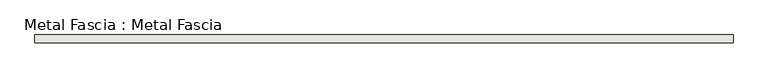
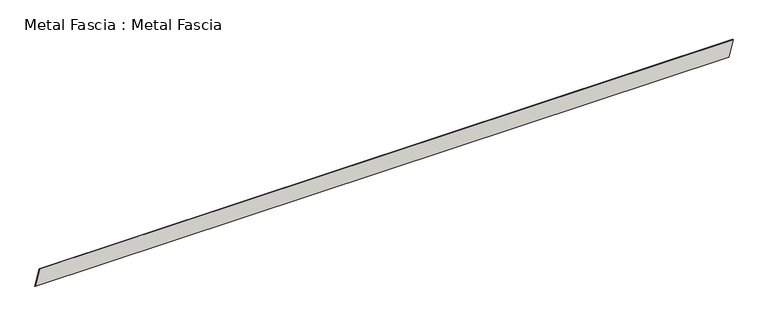
"""IFC4 building model written with IfcOpenShell, lengths in millimetres: wall geometry, Metal Fascia : Metal Fascia."""

import ifcopenshell
import ifcopenshell.guid

model = None  # the IFC model being written
_history = None  # IfcOwnerHistory: only IFC2X3 demands one
_inside = {}  # id of a spatial element -> (the spatial element, [elements in it])
_under = {}  # id of a project, library or spatial element -> (it, [spatial elements below it])
_declared = {}  # id of a project -> (the project, [libraries it declares])
_typed = {}  # id of a type object -> (the type object, [elements of that type])
_made_of = {}  # id of a material, layer set ... -> (it, [elements and type objects made of it])


def new_model(schema):
    """Start an empty IFC model of exactly this schema.

    Asked for "IFC4X3", IfcOpenShell would pick the latest addendum, in which some entities
    have other attributes; the version numbers below select the first issue.
    IFC2X3 requires an IfcOwnerHistory on every rooted entity: one is made here for all.
    """
    global model, _history
    if schema == "IFC4X3":
        model = ifcopenshell.file(schema_version=(4, 3, 0, 0))
    else:
        model = ifcopenshell.file(schema=schema)
    _inside.clear()
    _under.clear()
    _declared.clear()
    _typed.clear()
    _made_of.clear()
    _history = None
    if model.schema == "IFC2X3":
        org = make("IfcOrganization", Name="unknown")
        user = make(
            "IfcPersonAndOrganization",
            ThePerson=make("IfcPerson", FamilyName="unknown"),
            TheOrganization=org,
        )
        app = make(
            "IfcApplication",
            ApplicationDeveloper=org,
            Version="unknown",
            ApplicationFullName="unknown",
            ApplicationIdentifier="unknown",
        )
        _history = make(
            "IfcOwnerHistory",
            OwningUser=user,
            OwningApplication=app,
            ChangeAction="ADDED",
            CreationDate=0,
        )
    return model


def make(cls, **values):
    """One entity of the class cls with the attributes given. An attribute that is None is left unset."""
    return model.create_entity(
        cls, **{name: value for name, value in values.items() if value is not None}
    )


def rooted(cls, **values):
    """An entity with a GlobalId (a new one), such as an element, a storey or a relation."""
    return make(cls, GlobalId=ifcopenshell.guid.new(), OwnerHistory=_history, **values)


def si_unit(unit_type, name, prefix=None):
    """IfcSIUnit, for example si_unit("LENGTHUNIT", "METRE", prefix="MILLI")."""
    return make("IfcSIUnit", UnitType=unit_type, Prefix=prefix, Name=name)


def assignment(units):
    """IfcUnitAssignment: the units of a project."""
    return None if units is None else make("IfcUnitAssignment", Units=units)


def point(xyz):
    """IfcCartesianPoint."""
    return None if xyz is None else make("IfcCartesianPoint", Coordinates=xyz)


def direction(xyz):
    """IfcDirection."""
    return None if xyz is None else make("IfcDirection", DirectionRatios=xyz)


def frame(location, z_axis=None, x_axis=None):
    """IfcAxis2Placement3D, a coordinate frame: its origin and axes. An axis left out is left unset."""
    return make(
        "IfcAxis2Placement3D",
        Location=point(location),
        Axis=direction(z_axis),
        RefDirection=direction(x_axis),
    )


def origin():
    """The frame at (0, 0, 0) with its axes left unset."""
    return frame((0.0, 0.0, 0.0))


def place(relative_to, where):
    """IfcLocalPlacement: puts the frame where relative to a parent placement (None: the world)."""
    return make(
        "IfcLocalPlacement", PlacementRelTo=relative_to, RelativePlacement=where
    )


def context(
    kind, dimensions, precision=None, world=None, true_north=None, identifier=None
):
    """IfcGeometricRepresentationContext, for example the 3D "Model" context."""
    return make(
        "IfcGeometricRepresentationContext",
        ContextIdentifier=identifier,
        ContextType=kind,
        CoordinateSpaceDimension=dimensions,
        Precision=precision,
        WorldCoordinateSystem=world,
        TrueNorth=true_north,
    )


def project(units=None, contexts=None):
    """IfcProject with its units and contexts."""
    return rooted(
        "IfcProject",
        Name="project",
        RepresentationContexts=contexts,
        UnitsInContext=assignment(units),
    )


def spatial(cls, under=None, at=None, **own):
    """A site, building, storey or space (cls), placed at a placement, below another one or the project."""
    s = rooted(cls, ObjectPlacement=at, **own)
    if under is not None:
        _under.setdefault(under.id(), (under, []))[1].append(s)
    return s


def polyline(points):
    """IfcPolyline through the points."""
    return make("IfcPolyline", Points=[point(p) for p in points])


def outline(outer, holes=None, kind="AREA"):
    """IfcArbitraryClosedProfileDef: a profile drawn as a closed curve; with holes, ...WithVoids."""
    if holes is None:
        return make("IfcArbitraryClosedProfileDef", ProfileType=kind, OuterCurve=outer)
    return make(
        "IfcArbitraryProfileDefWithVoids",
        ProfileType=kind,
        OuterCurve=outer,
        InnerCurves=holes,
    )


def extrude(swept, where, along, depth):
    """IfcExtrudedAreaSolid: the profile swept, set in the frame where, extruded along a direction by depth."""
    return make(
        "IfcExtrudedAreaSolid",
        SweptArea=swept,
        Position=where,
        ExtrudedDirection=direction(along),
        Depth=depth,
    )


def shape(context_of_items, identifier, shape_type, items):
    """IfcShapeRepresentation: the items that make up one representation, for example the "Body"."""
    return make(
        "IfcShapeRepresentation",
        ContextOfItems=context_of_items,
        RepresentationIdentifier=identifier,
        RepresentationType=shape_type,
        Items=items,
    )


def source(mapping_origin, context_of_items, identifier, shape_type, items):
    """IfcRepresentationMap: a shape defined once, which mapped items show again and again."""
    return make(
        "IfcRepresentationMap",
        MappingOrigin=mapping_origin,
        MappedRepresentation=shape(context_of_items, identifier, shape_type, items),
    )


def transform(
    local_origin,
    x_axis=None,
    y_axis=None,
    z_axis=None,
    scale=None,
    scale2=None,
    scale3=None,
    uniform=True,
):
    """IfcCartesianTransformationOperator3D, or its non-uniform kind. x_axis, y_axis, z_axis: its Axis1, 2, 3."""
    if uniform:
        return make(
            "IfcCartesianTransformationOperator3D",
            Axis1=direction(x_axis),
            Axis2=direction(y_axis),
            LocalOrigin=point(local_origin),
            Scale=scale,
            Axis3=direction(z_axis),
        )
    return make(
        "IfcCartesianTransformationOperator3DnonUniform",
        Axis1=direction(x_axis),
        Axis2=direction(y_axis),
        LocalOrigin=point(local_origin),
        Scale=scale,
        Axis3=direction(z_axis),
        Scale2=scale2,
        Scale3=scale3,
    )


def mapped(mapping_source, mapping_target):
    """IfcMappedItem: shows the shape of a source again, moved by a transform."""
    return make(
        "IfcMappedItem", MappingSource=mapping_source, MappingTarget=mapping_target
    )


def made_of(thing, what):
    """Note that an element or type object is made of a material, layer set ...; save() writes the relation."""
    if what is not None:
        _made_of.setdefault(what.id(), (what, []))[1].append(thing)
    return thing


def element(
    cls,
    number,
    at=None,
    inside=None,
    cuts=None,
    type_object=None,
    material=None,
    context=None,
    identifier="Body",
    shape_type=None,
    held_by="IfcProductDefinitionShape",
    body=None,
    shapes=None,
    **own,
):
    """One element of the class cls, such as IfcWall. Its Tag is "e" and its number.

    at: its placement. inside: the storey or other place that contains it. cuts: it is an
    opening in that element (IfcRelVoidsElement). A single representation is given by context,
    identifier, shape_type and body (its items); several are given by shapes. held_by: the class
    of the entity that holds the representations. save() writes the other relations.
    """
    e = rooted(cls, Tag="e%d" % number, ObjectPlacement=at, **own)
    if body is not None:
        shapes = [shape(context, identifier, shape_type, body)]
    if shapes is not None:
        e.Representation = make(held_by, Representations=shapes)
    if inside is not None:
        _inside.setdefault(inside.id(), (inside, []))[1].append(e)
    if cuts is not None:
        rooted(
            "IfcRelVoidsElement", RelatingBuildingElement=cuts, RelatedOpeningElement=e
        )
    if type_object is not None:
        _typed.setdefault(type_object.id(), (type_object, []))[1].append(e)
    return made_of(e, material)


def aggregate(whole, parts):
    """IfcRelAggregates: a whole, such as a stair, and the parts it consists of."""
    return rooted("IfcRelAggregates", RelatingObject=whole, RelatedObjects=parts)


def save(model, path):
    """Write the relations noted so far, then the file.

    IfcRelAggregates (storeys below a building ...), IfcRelContainedInSpatialStructure (elements
    in a storey), IfcRelDefinesByType, IfcRelAssociatesMaterial and IfcRelDeclares: one each for
    every whole, place, type object, material and project.
    """
    for whole, parts in _under.values():
        aggregate(whole, parts)
    for where, things in _inside.values():
        rooted(
            "IfcRelContainedInSpatialStructure",
            RelatedElements=things,
            RelatingStructure=where,
        )
    for kind, things in _typed.values():
        rooted("IfcRelDefinesByType", RelatedObjects=things, RelatingType=kind)
    for what, things in _made_of.values():
        rooted("IfcRelAssociatesMaterial", RelatedObjects=things, RelatingMaterial=what)
    for by, libraries in _declared.values():
        rooted("IfcRelDeclares", RelatingContext=by, RelatedDefinitions=libraries)
    model.write(path)


def metal_fascia_metal_fascia_861deaab(model_context):
    return source(origin(), model_context, "Body", "SweptSolid", [
        extrude(outline(polyline([(0.0, -4876.8), (0.0, 0.0), (1.5875, 0.0), (1.5875, -4876.8), (0.0, -4876.8)])), frame((222949.2728488, 153987.856397, 3260.3057112), z_axis=(0.0, -0.3162277660171449, 0.9486832980504115), x_axis=(0.0, 0.9486832980504115, 0.3162277660171449)), (0.0, 0.0, 1.0), 173.0375),
    ])


if __name__ == "__main__":
    model = new_model("IFC4")
    model_context = context("Model", 3, world=origin())
    ifc_project = project(units=[si_unit("LENGTHUNIT", "METRE", prefix="MILLI")], contexts=[model_context])
    site = spatial("IfcSite", under=ifc_project)
    building = spatial("IfcBuilding", under=site)
    placement = place(None, origin())
    metal_fascia_metal_fascia_shape = metal_fascia_metal_fascia_861deaab(model_context)
    element("IfcWall", 1, ObjectType="Metal Fascia : Metal Fascia", at=placement, inside=building, context=model_context, shape_type="MappedRepresentation", body=[
        mapped(metal_fascia_metal_fascia_shape, transform((0.0, 0.0, 0.0), x_axis=(1.0, 0.0, 0.0), y_axis=(0.0, 1.0, 0.0), z_axis=(0.0, 0.0, 1.0))),
    ])
    save(model, "model.ifc")
